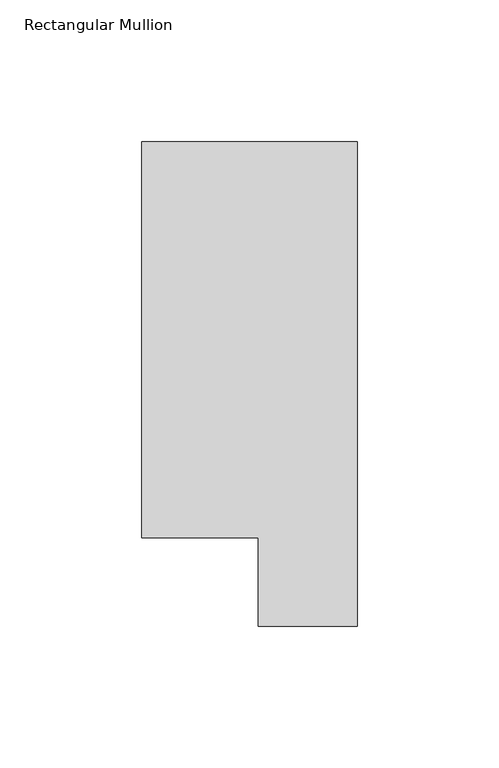
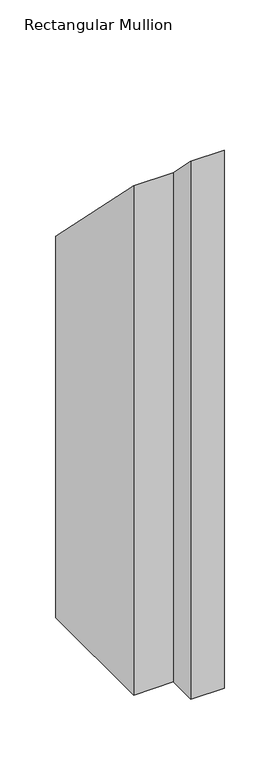
"""IFC4 building model written with IfcOpenShell, lengths in millimetres: member geometry, Rectangular Mullion."""

import ifcopenshell
import ifcopenshell.guid

model = None  # the IFC model being written
_history = None  # IfcOwnerHistory: only IFC2X3 demands one
_inside = {}  # id of a spatial element -> (the spatial element, [elements in it])
_under = {}  # id of a project, library or spatial element -> (it, [spatial elements below it])
_declared = {}  # id of a project -> (the project, [libraries it declares])
_typed = {}  # id of a type object -> (the type object, [elements of that type])
_made_of = {}  # id of a material, layer set ... -> (it, [elements and type objects made of it])


def new_model(schema):
    """Start an empty IFC model of exactly this schema.

    Asked for "IFC4X3", IfcOpenShell would pick the latest addendum, in which some entities
    have other attributes; the version numbers below select the first issue.
    IFC2X3 requires an IfcOwnerHistory on every rooted entity: one is made here for all.
    """
    global model, _history
    if schema == "IFC4X3":
        model = ifcopenshell.file(schema_version=(4, 3, 0, 0))
    else:
        model = ifcopenshell.file(schema=schema)
    _inside.clear()
    _under.clear()
    _declared.clear()
    _typed.clear()
    _made_of.clear()
    _history = None
    if model.schema == "IFC2X3":
        org = make("IfcOrganization", Name="unknown")
        user = make(
            "IfcPersonAndOrganization",
            ThePerson=make("IfcPerson", FamilyName="unknown"),
            TheOrganization=org,
        )
        app = make(
            "IfcApplication",
            ApplicationDeveloper=org,
            Version="unknown",
            ApplicationFullName="unknown",
            ApplicationIdentifier="unknown",
        )
        _history = make(
            "IfcOwnerHistory",
            OwningUser=user,
            OwningApplication=app,
            ChangeAction="ADDED",
            CreationDate=0,
        )
    return model


def make(cls, **values):
    """One entity of the class cls with the attributes given. An attribute that is None is left unset."""
    return model.create_entity(
        cls, **{name: value for name, value in values.items() if value is not None}
    )


def rooted(cls, **values):
    """An entity with a GlobalId (a new one), such as an element, a storey or a relation."""
    return make(cls, GlobalId=ifcopenshell.guid.new(), OwnerHistory=_history, **values)


def si_unit(unit_type, name, prefix=None):
    """IfcSIUnit, for example si_unit("LENGTHUNIT", "METRE", prefix="MILLI")."""
    return make("IfcSIUnit", UnitType=unit_type, Prefix=prefix, Name=name)


def assignment(units):
    """IfcUnitAssignment: the units of a project."""
    return None if units is None else make("IfcUnitAssignment", Units=units)


def point(xyz):
    """IfcCartesianPoint."""
    return None if xyz is None else make("IfcCartesianPoint", Coordinates=xyz)


def direction(xyz):
    """IfcDirection."""
    return None if xyz is None else make("IfcDirection", DirectionRatios=xyz)


def frame(location, z_axis=None, x_axis=None):
    """IfcAxis2Placement3D, a coordinate frame: its origin and axes. An axis left out is left unset."""
    return make(
        "IfcAxis2Placement3D",
        Location=point(location),
        Axis=direction(z_axis),
        RefDirection=direction(x_axis),
    )


def origin():
    """The frame at (0, 0, 0) with its axes left unset."""
    return frame((0.0, 0.0, 0.0))


def place(relative_to, where):
    """IfcLocalPlacement: puts the frame where relative to a parent placement (None: the world)."""
    return make(
        "IfcLocalPlacement", PlacementRelTo=relative_to, RelativePlacement=where
    )


def context(
    kind, dimensions, precision=None, world=None, true_north=None, identifier=None
):
    """IfcGeometricRepresentationContext, for example the 3D "Model" context."""
    return make(
        "IfcGeometricRepresentationContext",
        ContextIdentifier=identifier,
        ContextType=kind,
        CoordinateSpaceDimension=dimensions,
        Precision=precision,
        WorldCoordinateSystem=world,
        TrueNorth=true_north,
    )


def project(units=None, contexts=None):
    """IfcProject with its units and contexts."""
    return rooted(
        "IfcProject",
        Name="project",
        RepresentationContexts=contexts,
        UnitsInContext=assignment(units),
    )


def spatial(cls, under=None, at=None, **own):
    """A site, building, storey or space (cls), placed at a placement, below another one or the project."""
    s = rooted(cls, ObjectPlacement=at, **own)
    if under is not None:
        _under.setdefault(under.id(), (under, []))[1].append(s)
    return s


def faces_of(points, faces, orient=None, outer=None):
    """IfcFace entities. A face is a list of loops; a loop is a list of indices into points, from 0.

    orient and outer hold one flag for each loop. By default every Orientation is true, the
    first loop of a face is its IfcFaceOuterBound and the others are IfcFaceBound.
    """
    made = []
    for i, loops in enumerate(faces):
        bounds = []
        for j, loop in enumerate(loops):
            is_outer = j == 0 if outer is None else outer[i][j]
            bounds.append(
                make(
                    "IfcFaceOuterBound" if is_outer else "IfcFaceBound",
                    Bound=make("IfcPolyLoop", Polygon=[points[k] for k in loop]),
                    Orientation=True if orient is None else orient[i][j],
                )
            )
        made.append(make("IfcFace", Bounds=bounds))
    return made


def faceted_brep(points, faces, orient=None, outer=None, voids=None):
    """IfcFacetedBrep: a solid bounded by flat faces; with voids (closed shells), ...WithVoids."""
    shared = [point(p) for p in points]
    hull = make("IfcClosedShell", CfsFaces=faces_of(shared, faces, orient, outer))
    if voids is None:
        return make("IfcFacetedBrep", Outer=hull)
    return make(
        "IfcFacetedBrepWithVoids",
        Outer=hull,
        Voids=[
            make(cls, CfsFaces=faces_of(shared, fs, o, b)) for cls, fs, o, b in voids
        ],
    )


def shape(context_of_items, identifier, shape_type, items):
    """IfcShapeRepresentation: the items that make up one representation, for example the "Body"."""
    return make(
        "IfcShapeRepresentation",
        ContextOfItems=context_of_items,
        RepresentationIdentifier=identifier,
        RepresentationType=shape_type,
        Items=items,
    )


def source(mapping_origin, context_of_items, identifier, shape_type, items):
    """IfcRepresentationMap: a shape defined once, which mapped items show again and again."""
    return make(
        "IfcRepresentationMap",
        MappingOrigin=mapping_origin,
        MappedRepresentation=shape(context_of_items, identifier, shape_type, items),
    )


def transform(
    local_origin,
    x_axis=None,
    y_axis=None,
    z_axis=None,
    scale=None,
    scale2=None,
    scale3=None,
    uniform=True,
):
    """IfcCartesianTransformationOperator3D, or its non-uniform kind. x_axis, y_axis, z_axis: its Axis1, 2, 3."""
    if uniform:
        return make(
            "IfcCartesianTransformationOperator3D",
            Axis1=direction(x_axis),
            Axis2=direction(y_axis),
            LocalOrigin=point(local_origin),
            Scale=scale,
            Axis3=direction(z_axis),
        )
    return make(
        "IfcCartesianTransformationOperator3DnonUniform",
        Axis1=direction(x_axis),
        Axis2=direction(y_axis),
        LocalOrigin=point(local_origin),
        Scale=scale,
        Axis3=direction(z_axis),
        Scale2=scale2,
        Scale3=scale3,
    )


def mapped(mapping_source, mapping_target):
    """IfcMappedItem: shows the shape of a source again, moved by a transform."""
    return make(
        "IfcMappedItem", MappingSource=mapping_source, MappingTarget=mapping_target
    )


def made_of(thing, what):
    """Note that an element or type object is made of a material, layer set ...; save() writes the relation."""
    if what is not None:
        _made_of.setdefault(what.id(), (what, []))[1].append(thing)
    return thing


def element(
    cls,
    number,
    at=None,
    inside=None,
    cuts=None,
    type_object=None,
    material=None,
    context=None,
    identifier="Body",
    shape_type=None,
    held_by="IfcProductDefinitionShape",
    body=None,
    shapes=None,
    **own,
):
    """One element of the class cls, such as IfcWall. Its Tag is "e" and its number.

    at: its placement. inside: the storey or other place that contains it. cuts: it is an
    opening in that element (IfcRelVoidsElement). A single representation is given by context,
    identifier, shape_type and body (its items); several are given by shapes. held_by: the class
    of the entity that holds the representations. save() writes the other relations.
    """
    e = rooted(cls, Tag="e%d" % number, ObjectPlacement=at, **own)
    if body is not None:
        shapes = [shape(context, identifier, shape_type, body)]
    if shapes is not None:
        e.Representation = make(held_by, Representations=shapes)
    if inside is not None:
        _inside.setdefault(inside.id(), (inside, []))[1].append(e)
    if cuts is not None:
        rooted(
            "IfcRelVoidsElement", RelatingBuildingElement=cuts, RelatedOpeningElement=e
        )
    if type_object is not None:
        _typed.setdefault(type_object.id(), (type_object, []))[1].append(e)
    return made_of(e, material)


def aggregate(whole, parts):
    """IfcRelAggregates: a whole, such as a stair, and the parts it consists of."""
    return rooted("IfcRelAggregates", RelatingObject=whole, RelatedObjects=parts)


def save(model, path):
    """Write the relations noted so far, then the file.

    IfcRelAggregates (storeys below a building ...), IfcRelContainedInSpatialStructure (elements
    in a storey), IfcRelDefinesByType, IfcRelAssociatesMaterial and IfcRelDeclares: one each for
    every whole, place, type object, material and project.
    """
    for whole, parts in _under.values():
        aggregate(whole, parts)
    for where, things in _inside.values():
        rooted(
            "IfcRelContainedInSpatialStructure",
            RelatedElements=things,
            RelatingStructure=where,
        )
    for kind, things in _typed.values():
        rooted("IfcRelDefinesByType", RelatedObjects=things, RelatingType=kind)
    for what, things in _made_of.values():
        rooted("IfcRelAssociatesMaterial", RelatedObjects=things, RelatingMaterial=what)
    for by, libraries in _declared.values():
        rooted("IfcRelDeclares", RelatingContext=by, RelatedDefinitions=libraries)
    model.write(path)


def rectangular_mullion_36c9c1c0(model_context):
    return source(origin(), model_context, "Body", "Brep", [
        faceted_brep([(-76.2, 190.7881317, -609.6), (0.0, 190.7881317, -609.6), (0.0, 19.5667317, -609.6), (-34.9123, 19.5667317, -609.6), (-34.9123, 50.8087306, -609.6), (-76.2, 50.8087306, -609.6), (-76.2, 50.8087306, -50.8087306), (-76.2, 190.7881317, -190.7881317), (-34.9123, 50.8087306, -50.8087306), (-34.9123, 19.5667317, -19.5667317), (0.0, 19.5667317, -19.5667317), (0.0, 190.7881317, -190.7881317)], [[[0, 1, 2, 3, 4, 5]], [[6, 7, 0, 5]], [[8, 6, 5, 4]], [[9, 8, 4, 3]], [[10, 9, 3, 2]], [[11, 10, 2, 1]], [[7, 11, 1, 0]], [[7, 6, 8, 9, 10, 11]]]),
    ])


if __name__ == "__main__":
    model = new_model("IFC4")
    model_context = context("Model", 3, world=origin())
    ifc_project = project(units=[si_unit("LENGTHUNIT", "METRE", prefix="MILLI")], contexts=[model_context])
    site = spatial("IfcSite", under=ifc_project)
    building = spatial("IfcBuilding", under=site)
    placement = place(None, origin())
    rectangular_mullion_shape = rectangular_mullion_36c9c1c0(model_context)
    element("IfcMember", 1, ObjectType="Rectangular Mullion", at=placement, inside=building, context=model_context, shape_type="MappedRepresentation", body=[
        mapped(rectangular_mullion_shape, transform((0.0, 0.0, 0.0), x_axis=(1.0, 0.0, 0.0), y_axis=(0.0, 1.0, 0.0), z_axis=(0.0, 0.0, 1.0))),
    ])
    save(model, "model.ifc")
